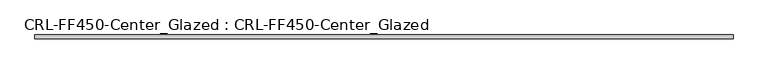
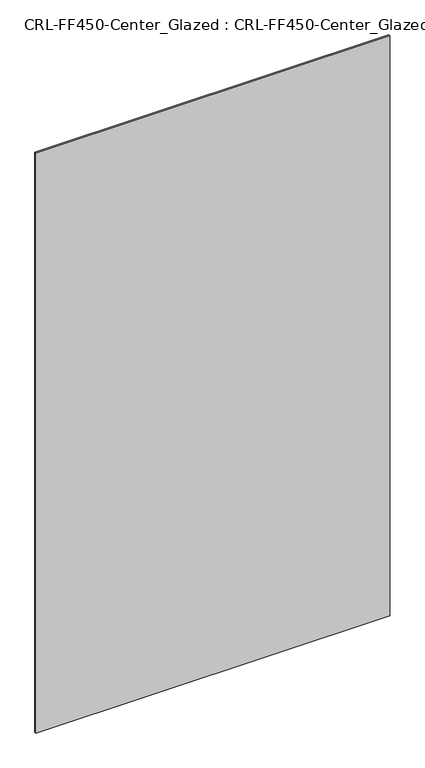
"""IFC4 building model written with IfcOpenShell, lengths in millimetres: plate geometry, CRL-FF450-Center_Glazed : CRL-FF450-Center_Glazed."""

from ifc_helpers import new_model, si_unit, origin, origin_with_axes, place, context, project, spatial, polyline, outline, extrude, source, transform, mapped, element, save


def crl_ff450_center_glazed_crl_ff450_center_glazed_885854f5(model_context):
    return source(origin(), model_context, "Body", "SweptSolid", [
        extrude(outline(polyline([(610.1292025, 3.1749999), (610.1292025, -3.1749999), (-610.1292025, -3.1749999), (-610.1292025, 3.1749999), (610.1292025, 3.1749999)])), origin_with_axes(), (0.0, 0.0, 1.0), 2114.5499801),
    ])


if __name__ == "__main__":
    model = new_model("IFC4")
    model_context = context("Model", 3, world=origin())
    ifc_project = project(units=[si_unit("LENGTHUNIT", "METRE", prefix="MILLI")], contexts=[model_context])
    site = spatial("IfcSite", under=ifc_project)
    building = spatial("IfcBuilding", under=site)
    placement = place(None, origin())
    crl_ff450_center_glazed_crl_ff450_center_glazed_shape = crl_ff450_center_glazed_crl_ff450_center_glazed_885854f5(model_context)
    element("IfcPlate", 1, ObjectType="CRL-FF450-Center_Glazed : CRL-FF450-Center_Glazed", at=placement, inside=building, context=model_context, shape_type="MappedRepresentation", body=[
        mapped(crl_ff450_center_glazed_crl_ff450_center_glazed_shape, transform((0.0, 0.0, 0.0), x_axis=(1.0, 0.0, 0.0), y_axis=(0.0, 1.0, 0.0), z_axis=(0.0, 0.0, 1.0))),
    ])
    save(model, "model.ifc")
